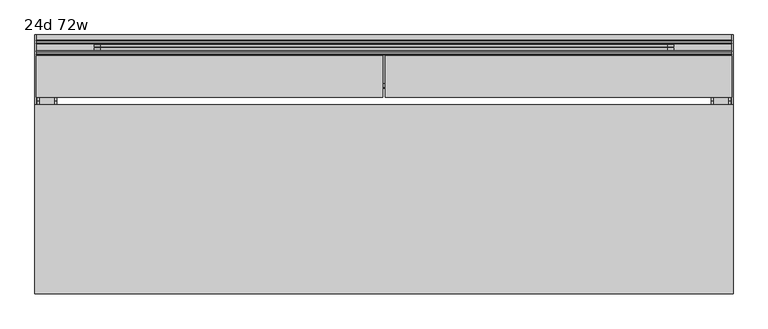
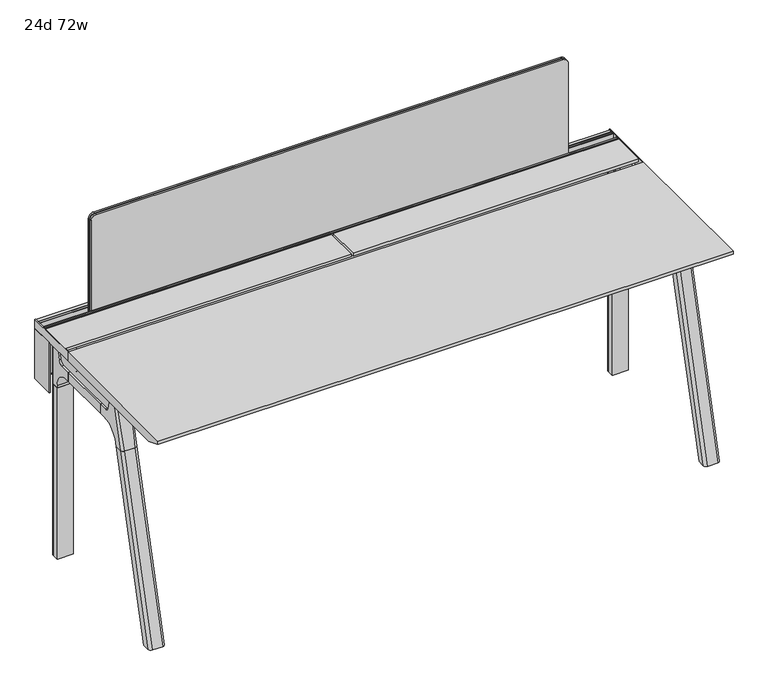
"""IFC4 building model written with IfcOpenShell, lengths in millimetres: furniture geometry, 24d 72w."""

from ifc_helpers import new_model, si_unit, point, frame, frame_2d, origin, place, context, project, spatial, polyline, circle_curve, ellipse_curve, trimmed, segment, composite_curve, outline, extrude, source, transform, mapped, element, save
from ifc_brep_helpers import plane_surface, cylinder_surface, revolved_surface, advanced_brep


def furniture_24d_72w_ee4560a4(model_context):
    return source(origin(), model_context, "Body", "SolidModel", [
        extrude(outline(composite_curve([segment(polyline([(-171.6458172, 542.478661), (-293.447806, 542.478661)]), True, "CONTINUOUS"), segment(trimmed(circle_curve(frame_2d((-293.447806, 555.972411)), 13.49375), [point((-293.447806, 542.478661))], [point((-306.941556, 555.972411))], False, "CARTESIAN"), True, "CONTINUOUS"), segment(polyline([(-306.941556, 555.972411), (-306.941556, 579.126206), (-306.147806, 579.126206), (-306.147806, 555.972411)]), True, "CONTINUOUS"), segment(trimmed(circle_curve(frame_2d((-293.447806, 555.972411)), 12.7), [point((-306.147806, 555.972411))], [point((-293.447806, 543.272411))], True, "CARTESIAN"), True, "CONTINUOUS"), segment(polyline([(-293.447806, 543.272411), (-171.6458172, 543.272411), (-171.6458172, 542.478661)]), True, "CONTINUOUS")], self_intersect=False)), frame((-542.925, 0.0, 0.0), z_axis=(1.0, 0.0, 0.0), x_axis=(0.0, 1.0, 0.0)), (0.0, 0.0, 1.0), 1517.65),
        extrude(outline(polyline([(-167.2415802, 542.478661), (-171.6458172, 542.478661), (-171.6458172, 543.272411), (-168.0353302, 543.272411), (-168.0353302, 738.7080593), (-179.9097266, 738.7080593), (-179.9097266, 729.9768093), (-180.7034766, 729.9768093), (-180.7034766, 739.5018093), (-167.2415802, 739.5018093), (-167.2415802, 542.478661)])), frame((-695.325, 0.0, 0.0), z_axis=(1.0, 0.0, 0.0), x_axis=(0.0, 1.0, 0.0)), (0.0, 0.0, 1.0), 1822.45),
        extrude(outline(composite_curve([segment(polyline([(1054.89375, 955.675), (1054.89375, -523.875)]), True, "CONTINUOUS"), segment(trimmed(circle_curve(frame_2d((1039.01875, -523.875)), 15.875), [point((1054.89375, -523.875))], [point((1039.01875, -539.75))], False, "CARTESIAN"), True, "CONTINUOUS"), segment(polyline([(1039.01875, -539.75), (720.725, -539.75), (720.725, 971.55), (1039.01875, 971.55)]), True, "CONTINUOUS"), segment(trimmed(circle_curve(frame_2d((1039.01875, 955.675)), 15.875), [point((1039.01875, 971.55))], [point((1054.89375, 955.675))], False, "CARTESIAN"), True, "CONTINUOUS")], self_intersect=False)), frame((0.0, -201.3409766, 0.0), z_axis=(0.0, 1.0, 0.0), x_axis=(0.0, 0.0, 1.0)), (0.0, 0.0, 1.0), 3.175),
        extrude(outline(composite_curve([segment(polyline([(1058.06875, 958.85), (1058.06875, -527.05)]), True, "CONTINUOUS"), segment(trimmed(circle_curve(frame_2d((1042.19375, -527.05)), 15.875), [point((1058.06875, -527.05))], [point((1042.19375, -542.925))], False, "CARTESIAN"), True, "CONTINUOUS"), segment(polyline([(1042.19375, -542.925), (717.55, -542.925), (717.55, 974.725), (1042.19375, 974.725)]), True, "CONTINUOUS"), segment(trimmed(circle_curve(frame_2d((1042.19375, 958.85)), 15.875), [point((1042.19375, 974.725))], [point((1058.06875, 958.85))], False, "CARTESIAN"), True, "CONTINUOUS")], self_intersect=False)), frame((0.0, -198.1659766, 0.0), z_axis=(0.0, 1.0, 0.0), x_axis=(0.0, 0.0, 1.0)), (0.0, 0.0, 1.0), 5.55625),
        extrude(outline(composite_curve([segment(polyline([(1058.06875, 958.85), (1058.06875, -527.05)]), True, "CONTINUOUS"), segment(trimmed(circle_curve(frame_2d((1042.19375, -527.05)), 15.875), [point((1058.06875, -527.05))], [point((1042.19375, -542.925))], False, "CARTESIAN"), True, "CONTINUOUS"), segment(polyline([(1042.19375, -542.925), (717.55, -542.925), (717.55, 974.725), (1042.19375, 974.725)]), True, "CONTINUOUS"), segment(trimmed(circle_curve(frame_2d((1042.19375, 958.85)), 15.875), [point((1042.19375, 974.725))], [point((1058.06875, 958.85))], False, "CARTESIAN"), True, "CONTINUOUS")], self_intersect=False)), frame((0.0, -206.8972266, 0.0), z_axis=(0.0, 1.0, 0.0), x_axis=(0.0, 0.0, 1.0)), (0.0, 0.0, 1.0), 5.55625),
        extrude(outline(polyline([(-218.8034766, 715.9625), (-218.8034766, 741.3625), (-217.2159766, 741.3625), (-217.2159766, 720.725), (-210.8659766, 720.725), (-210.8659766, 741.3625), (-209.2784766, 741.3625), (-209.2784766, 717.55), (-190.2284766, 717.55), (-190.2284766, 741.3625), (-188.6409766, 741.3625), (-188.6409766, 720.725), (-182.2909766, 720.725), (-182.2909766, 741.3625), (-180.7034766, 741.3625), (-180.7034766, 715.9625), (-218.8034766, 715.9625)])), frame((-695.325, 0.0, 0.0), z_axis=(1.0, 0.0, 0.0), x_axis=(0.0, 1.0, 0.0)), (0.0, 0.0, 1.0), 1822.45),
        extrude(outline(composite_curve([segment(polyline([(-280.7159766, 711.2), (-289.7740774, 677.3947076)]), True, "CONTINUOUS"), segment(trimmed(circle_curve(frame_2d((-305.1081499, 681.5034599)), 15.875), [point((-289.7740774, 677.3947076))], [point((-305.1081499, 665.6284599))], False, "CARTESIAN"), True, "CONTINUOUS"), segment(polyline([(-305.1081499, 665.6284599), (-550.8050533, 665.6284599)]), True, "CONTINUOUS"), segment(trimmed(circle_curve(frame_2d((-550.8050533, 681.5034599)), 15.875), [point((-550.8050533, 665.6284599))], [point((-566.1391258, 677.3947076))], False, "CARTESIAN"), True, "CONTINUOUS"), segment(polyline([(-566.1391258, 677.3947076), (-575.1972266, 711.2), (-280.7159766, 711.2)]), True, "CONTINUOUS")], self_intersect=False)), frame((1079.5, 0.0, 0.0), z_axis=(1.0, 0.0, 0.0), x_axis=(0.0, 1.0, 0.0)), (0.0, 0.0, 1.0), 38.1),
        extrude(outline(polyline([(1123.95, -341.0409766), (1123.95, -514.8722266), (1073.15, -514.8722266), (1073.15, -341.0409766), (1123.95, -341.0409766)])), frame((0.0, 0.0, 635.6476591), z_axis=(0.0, 0.0, 1.0), x_axis=(1.0, 0.0, 0.0)), (0.0, 0.0, 1.0), 29.9808008),
        extrude(outline(composite_curve([segment(polyline([(-280.7159766, 711.2), (-289.7740774, 677.3947076)]), True, "CONTINUOUS"), segment(trimmed(circle_curve(frame_2d((-305.1081499, 681.5034599)), 15.875), [point((-289.7740774, 677.3947076))], [point((-305.1081499, 665.6284599))], False, "CARTESIAN"), True, "CONTINUOUS"), segment(polyline([(-305.1081499, 665.6284599), (-550.8050533, 665.6284599)]), True, "CONTINUOUS"), segment(trimmed(circle_curve(frame_2d((-550.8050533, 681.5034599)), 15.875), [point((-550.8050533, 665.6284599))], [point((-566.1391258, 677.3947076))], False, "CARTESIAN"), True, "CONTINUOUS"), segment(polyline([(-566.1391258, 677.3947076), (-575.1972266, 711.2), (-280.7159766, 711.2)]), True, "CONTINUOUS")], self_intersect=False)), frame((-685.8, 0.0, 0.0), z_axis=(1.0, 0.0, 0.0), x_axis=(0.0, 1.0, 0.0)), (0.0, 0.0, 1.0), 38.1),
        extrude(outline(polyline([(-641.35, -341.0409766), (-641.35, -514.8722266), (-692.15, -514.8722266), (-692.15, -341.0409766), (-641.35, -341.0409766)])), frame((0.0, 0.0, 635.6476591), z_axis=(0.0, 0.0, 1.0), x_axis=(1.0, 0.0, 0.0)), (0.0, 0.0, 1.0), 29.9808008),
        advanced_brep(
        [(1123.95, -280.6696478, 711.2), (1123.95, -289.7277486, 677.3947076), (1123.95, -305.0618211, 665.6284599), (1123.95, -341.0409766, 665.6284599), (1123.95, -341.0409766, 635.6476591), (1123.95, -329.9284766, 635.6476591), (1123.95, -279.1284766, 584.8476591), (1123.95, -279.1284766, 576.659375), (1123.95, -256.9034766, 576.659375), (1123.95, -256.9034766, 711.2), (1073.15, -279.1284766, 576.659375), (1073.15, -279.1284766, 584.8476591), (1073.15, -329.9284766, 635.6476591), (1073.15, -341.0409766, 635.6476591), (1073.15, -341.0409766, 665.6284599), (1073.15, -305.0618211, 665.6284599), (1073.15, -289.7277486, 677.3947076), (1073.15, -280.6696478, 711.2), (1073.15, -256.9034766, 711.2), (1073.15, -256.9034766, 576.659375), (1114.425, -247.3784766, 711.2), (1082.675, -247.3784766, 711.2), (1082.675, -247.3784766, 576.659375), (1114.425, -247.3784766, 576.659375)],
        [
            (0, 1),
            (1, 2, circle_curve(frame((1123.95, -305.0618211, 681.5034599), z_axis=(-1.0, 0.0, 0.0), x_axis=(0.0, 1.0, 0.0)), 15.875)),
            (2, 3),
            (3, 4),
            (4, 5),
            (5, 6, circle_curve(frame((1123.95, -329.9284766, 584.8476591), z_axis=(-1.0, 0.0, 0.0), x_axis=(0.0, 1.0, 0.0)), 50.8)),
            (6, 7),
            (7, 8),
            (8, 9),
            (9, 0),
            (10, 11),
            (11, 12, circle_curve(frame((1073.15, -329.9284766, 584.8476591), z_axis=(1.0, 0.0, 0.0), x_axis=(0.0, 1.0, 0.0)), 50.8)),
            (12, 13),
            (13, 14),
            (14, 15),
            (15, 16, circle_curve(frame((1073.15, -305.0618211, 681.5034599), z_axis=(1.0, 0.0, 0.0), x_axis=(0.0, 1.0, 0.0)), 15.875)),
            (16, 17),
            (17, 18),
            (18, 19),
            (19, 10),
            (17, 0),
            (9, 20, circle_curve(frame((1114.425, -256.9034766, 711.2), z_axis=(0.0, 0.0, 1.0), x_axis=(-1.0, 0.0, 0.0)), 9.525)),
            (20, 21),
            (21, 18, circle_curve(frame((1082.675, -256.9034766, 711.2), z_axis=(0.0, 0.0, 1.0), x_axis=(-1.0, 0.0, 0.0)), 9.525)),
            (16, 1),
            (15, 2),
            (14, 3),
            (13, 4),
            (12, 5),
            (7, 10),
            (19, 22, circle_curve(frame((1082.675, -256.9034766, 576.659375), z_axis=(0.0, 0.0, -1.0), x_axis=(-1.0, 0.0, 0.0)), 9.525)),
            (22, 23),
            (23, 8, circle_curve(frame((1114.425, -256.9034766, 576.659375), z_axis=(0.0, 0.0, -1.0), x_axis=(-1.0, 0.0, 0.0)), 9.525)),
            (11, 6),
            (23, 20),
            (21, 22),
        ],
        [
            plane_surface(frame((1123.95, -240.451947, 711.2), z_axis=(1.0, 0.0, 0.0), x_axis=(0.0, -1.0, 0.0))),
            plane_surface(frame((1073.15, -240.451947, 711.2), z_axis=(-1.0, 0.0, 0.0), x_axis=(0.0, 1.0, 0.0))),
            plane_surface(frame((1123.95, -240.451947, 711.2), z_axis=(0.0, 0.0, 1.0), x_axis=(-1.0, 0.0, 0.0))),
            plane_surface(frame((1123.95, -280.6696478, 711.2), z_axis=(0.0, -0.9659258262890683, 0.2588190451025207), x_axis=(-1.0, 0.0, 0.0))),
            revolved_surface(polyline([(1073.15, -289.1868211, 681.5034599), (1123.95, -289.1868211, 681.5034599)]), (1073.15, -305.0618211, 681.5034599), (-1.0, 0.0, 0.0)),
            plane_surface(frame((1123.95, -305.0618211, 665.6284599), z_axis=(0.0, 0.0, 1.0), x_axis=(-1.0, 0.0, 0.0))),
            plane_surface(frame((1123.95, -341.0409766, 665.6284599), z_axis=(0.0, -1.0, 0.0), x_axis=(-1.0, 0.0, 0.0))),
            plane_surface(frame((1123.95, -341.0409766, 635.6476591), z_axis=(0.0, 0.0, -1.0), x_axis=(-1.0, 0.0, 0.0))),
            plane_surface(frame((1123.95, -279.1284766, 576.659375), z_axis=(0.0, 0.0, -1.0), x_axis=(-1.0, 0.0, 0.0))),
            revolved_surface(polyline([(1073.15, -279.1284766, 584.8476591), (1123.95, -279.1284766, 584.8476591)]), (1073.15, -329.9284766, 584.8476591), (-1.0, 0.0, 0.0)),
            plane_surface(frame((1123.95, -279.1284766, 584.8476591), z_axis=(0.0, -1.0, 0.0), x_axis=(-1.0, 0.0, 0.0))),
            cylinder_surface(frame((1114.425, -256.9034766, 524.9807374), z_axis=(0.0, 0.0, -1.0), x_axis=(-1.0, 0.0, 0.0)), 9.525),
            cylinder_surface(frame((1082.675, -256.9034766, 524.9807374), z_axis=(0.0, 0.0, -1.0), x_axis=(-1.0, 0.0, 0.0)), 9.525),
            plane_surface(frame((1082.675, -247.3784766, 711.2), z_axis=(0.0, 1.0, 0.0), x_axis=(0.0, 0.0, -1.0))),
        ],
        [
            (0, [[1, 2, 3, 4, 5, 6, 7, 8, 9, 10]]),
            (1, [[11, 12, 13, 14, 15, 16, 17, 18, 19, 20]]),
            (2, [[21, -10, 22, 23, 24, -18]]),
            (3, [[-1, -21, -17, 25]]),
            (4, [[-2, -25, -16, 26]]),
            (5, [[-3, -26, -15, 27]]),
            (6, [[-4, -27, -14, 28]]),
            (7, [[-5, -28, -13, 29]]),
            (8, [[30, -20, 31, 32, 33, -8]]),
            (9, [[-6, -29, -12, 34]]),
            (10, [[-7, -34, -11, -30]]),
            (11, [[35, -22, -9, -33]]),
            (12, [[36, -31, -19, -24]]),
            (13, [[-35, -32, -36, -23]]),
        ],
    ),
        advanced_brep(
        [(1073.15, -279.1284766, 576.659375), (1123.95, -279.1284766, 576.659375), (1123.95, -256.9034766, 576.659375), (1114.425, -247.3784766, 576.659375), (1082.675, -247.3784766, 576.659375), (1073.15, -256.9034766, 576.659375), (1073.15, -279.1284766, 0.0), (1073.15, -256.9034766, 0.0), (1082.675, -247.3784766, 0.0), (1114.425, -247.3784766, 0.0), (1123.95, -256.9034766, 0.0), (1123.95, -279.1284766, 0.0), (1123.95, -256.9034766, 524.9807374), (1114.425, -247.3784766, 524.9807374), (1082.675, -247.3784766, 524.9807374), (1073.15, -256.9034766, 524.9807374)],
        [
            (0, 1),
            (1, 2),
            (2, 3, circle_curve(frame((1114.425, -256.9034766, 576.659375), z_axis=(0.0, 0.0, 1.0), x_axis=(-1.0, 0.0, 0.0)), 9.525)),
            (3, 4),
            (4, 5, circle_curve(frame((1082.675, -256.9034766, 576.659375), z_axis=(0.0, 0.0, 1.0), x_axis=(-1.0, 0.0, 0.0)), 9.525)),
            (5, 0),
            (6, 7),
            (7, 8, circle_curve(frame((1082.675, -256.9034766, 0.0), z_axis=(0.0, 0.0, -1.0), x_axis=(-1.0, 0.0, 0.0)), 9.525)),
            (8, 9),
            (9, 10, circle_curve(frame((1114.425, -256.9034766, 0.0), z_axis=(0.0, 0.0, -1.0), x_axis=(-1.0, 0.0, 0.0)), 9.525)),
            (10, 11),
            (11, 6),
            (0, 6),
            (11, 1),
            (10, 12),
            (12, 2),
            (9, 13),
            (13, 3),
            (8, 14),
            (14, 4),
            (7, 15),
            (15, 5),
        ],
        [
            plane_surface(frame((1131.1462903, -279.1284766, 576.659375), z_axis=(0.0, 0.0, 1.0), x_axis=(1.0, 0.0, 0.0))),
            plane_surface(frame((1131.1462903, -279.1284766, 0.0), z_axis=(0.0, 0.0, -1.0), x_axis=(-1.0, 0.0, 0.0))),
            plane_surface(frame((1073.15, -279.1284766, 576.659375), z_axis=(0.0, -1.0, 0.0), x_axis=(0.0, 0.0, -1.0))),
            plane_surface(frame((1123.95, -279.1284766, 576.659375), z_axis=(1.0, 0.0, 0.0), x_axis=(0.0, 0.0, -1.0))),
            cylinder_surface(frame((1114.425, -256.9034766, 0.0), z_axis=(0.0, 0.0, 1.0), x_axis=(-1.0, 0.0, 0.0)), 9.525),
            plane_surface(frame((1114.425, -247.3784766, 576.659375), z_axis=(0.0, 1.0, 0.0), x_axis=(0.0, 0.0, -1.0))),
            cylinder_surface(frame((1082.675, -256.9034766, 0.0), z_axis=(0.0, 0.0, 1.0), x_axis=(-1.0, 0.0, 0.0)), 9.525),
            plane_surface(frame((1073.15, -256.9034766, 576.659375), z_axis=(-1.0, 0.0, 0.0), x_axis=(0.0, 0.0, -1.0))),
        ],
        [
            (0, [[1, 2, 3, 4, 5, 6]]),
            (1, [[7, 8, 9, 10, 11, 12]]),
            (2, [[-1, 13, -12, 14]]),
            (3, [[-2, -14, -11, 15, 16]]),
            (4, [[-3, -16, -15, -10, 17, 18]]),
            (5, [[-4, -18, -17, -9, 19, 20]]),
            (6, [[-5, -20, -19, -8, 21, 22]]),
            (7, [[-6, -22, -21, -7, -13]]),
        ],
    ),
        advanced_brep(
        [(-641.35, -280.6696478, 711.2), (-641.35, -289.7277486, 677.3947076), (-641.35, -305.0618211, 665.6284599), (-641.35, -341.0409766, 665.6284599), (-641.35, -341.0409766, 635.6476591), (-641.35, -329.9284766, 635.6476591), (-641.35, -279.1284766, 584.8476591), (-641.35, -279.1284766, 576.659375), (-641.35, -256.9034766, 576.659375), (-641.35, -256.9034766, 711.2), (-692.15, -279.1284766, 576.659375), (-692.15, -279.1284766, 584.8476591), (-692.15, -329.9284766, 635.6476591), (-692.15, -341.0409766, 635.6476591), (-692.15, -341.0409766, 665.6284599), (-692.15, -305.0618211, 665.6284599), (-692.15, -289.7277486, 677.3947076), (-692.15, -280.6696478, 711.2), (-692.15, -256.9034766, 711.2), (-692.15, -256.9034766, 576.659375), (-650.875, -247.3784766, 711.2), (-682.625, -247.3784766, 711.2), (-682.625, -247.3784766, 576.659375), (-650.875, -247.3784766, 576.659375)],
        [
            (0, 1),
            (1, 2, circle_curve(frame((-641.35, -305.0618211, 681.5034599), z_axis=(-1.0, 0.0, 0.0), x_axis=(0.0, 1.0, 0.0)), 15.875)),
            (2, 3),
            (3, 4),
            (4, 5),
            (5, 6, circle_curve(frame((-641.35, -329.9284766, 584.8476591), z_axis=(-1.0, 0.0, 0.0), x_axis=(0.0, 1.0, 0.0)), 50.8)),
            (6, 7),
            (7, 8),
            (8, 9),
            (9, 0),
            (10, 11),
            (11, 12, circle_curve(frame((-692.15, -329.9284766, 584.8476591), z_axis=(1.0, 0.0, 0.0), x_axis=(0.0, 1.0, 0.0)), 50.8)),
            (12, 13),
            (13, 14),
            (14, 15),
            (15, 16, circle_curve(frame((-692.15, -305.0618211, 681.5034599), z_axis=(1.0, 0.0, 0.0), x_axis=(0.0, 1.0, 0.0)), 15.875)),
            (16, 17),
            (17, 18),
            (18, 19),
            (19, 10),
            (17, 0),
            (9, 20, circle_curve(frame((-650.875, -256.9034766, 711.2), z_axis=(0.0, 0.0, 1.0), x_axis=(-1.0, 0.0, 0.0)), 9.525)),
            (20, 21),
            (21, 18, circle_curve(frame((-682.625, -256.9034766, 711.2), z_axis=(0.0, 0.0, 1.0), x_axis=(-1.0, 0.0, 0.0)), 9.525)),
            (16, 1),
            (15, 2),
            (14, 3),
            (13, 4),
            (12, 5),
            (7, 10),
            (19, 22, circle_curve(frame((-682.625, -256.9034766, 576.659375), z_axis=(0.0, 0.0, -1.0), x_axis=(-1.0, 0.0, 0.0)), 9.525)),
            (22, 23),
            (23, 8, circle_curve(frame((-650.875, -256.9034766, 576.659375), z_axis=(0.0, 0.0, -1.0), x_axis=(-1.0, 0.0, 0.0)), 9.525)),
            (11, 6),
            (23, 20),
            (21, 22),
        ],
        [
            plane_surface(frame((-641.35, -240.451947, 711.2), z_axis=(1.0, 0.0, 0.0), x_axis=(0.0, -1.0, 0.0))),
            plane_surface(frame((-692.15, -240.451947, 711.2), z_axis=(-1.0, 0.0, 0.0), x_axis=(0.0, 1.0, 0.0))),
            plane_surface(frame((-641.35, -240.451947, 711.2), z_axis=(0.0, 0.0, 1.0), x_axis=(-1.0, 0.0, 0.0))),
            plane_surface(frame((-641.35, -280.6696478, 711.2), z_axis=(0.0, -0.9659258262890683, 0.2588190451025207), x_axis=(-1.0, 0.0, 0.0))),
            revolved_surface(polyline([(-692.15, -289.1868211, 681.5034599), (-641.35, -289.1868211, 681.5034599)]), (-692.15, -305.0618211, 681.5034599), (-1.0, 0.0, 0.0)),
            plane_surface(frame((-641.35, -305.0618211, 665.6284599), z_axis=(0.0, 0.0, 1.0), x_axis=(-1.0, 0.0, 0.0))),
            plane_surface(frame((-641.35, -341.0409766, 665.6284599), z_axis=(0.0, -1.0, 0.0), x_axis=(-1.0, 0.0, 0.0))),
            plane_surface(frame((-641.35, -341.0409766, 635.6476591), z_axis=(0.0, 0.0, -1.0), x_axis=(-1.0, 0.0, 0.0))),
            plane_surface(frame((-641.35, -279.1284766, 576.659375), z_axis=(0.0, 0.0, -1.0), x_axis=(-1.0, 0.0, 0.0))),
            revolved_surface(polyline([(-692.15, -279.1284766, 584.8476591), (-641.35, -279.1284766, 584.8476591)]), (-692.15, -329.9284766, 584.8476591), (-1.0, 0.0, 0.0)),
            plane_surface(frame((-641.35, -279.1284766, 584.8476591), z_axis=(0.0, -1.0, 0.0), x_axis=(-1.0, 0.0, 0.0))),
            cylinder_surface(frame((-650.875, -256.9034766, 524.9807374), z_axis=(0.0, 0.0, -1.0), x_axis=(-1.0, 0.0, 0.0)), 9.525),
            cylinder_surface(frame((-682.625, -256.9034766, 524.9807374), z_axis=(0.0, 0.0, -1.0), x_axis=(-1.0, 0.0, 0.0)), 9.525),
            plane_surface(frame((-682.625, -247.3784766, 711.2), z_axis=(0.0, 1.0, 0.0), x_axis=(0.0, 0.0, -1.0))),
        ],
        [
            (0, [[1, 2, 3, 4, 5, 6, 7, 8, 9, 10]]),
            (1, [[11, 12, 13, 14, 15, 16, 17, 18, 19, 20]]),
            (2, [[21, -10, 22, 23, 24, -18]]),
            (3, [[-1, -21, -17, 25]]),
            (4, [[-2, -25, -16, 26]]),
            (5, [[-3, -26, -15, 27]]),
            (6, [[-4, -27, -14, 28]]),
            (7, [[-5, -28, -13, 29]]),
            (8, [[30, -20, 31, 32, 33, -8]]),
            (9, [[-6, -29, -12, 34]]),
            (10, [[-7, -34, -11, -30]]),
            (11, [[35, -22, -9, -33]]),
            (12, [[36, -31, -19, -24]]),
            (13, [[-35, -32, -36, -23]]),
        ],
    ),
        advanced_brep(
        [(-692.15, -279.1284766, 576.659375), (-641.35, -279.1284766, 576.659375), (-641.35, -256.9034766, 576.659375), (-650.875, -247.3784766, 576.659375), (-682.625, -247.3784766, 576.659375), (-692.15, -256.9034766, 576.659375), (-692.15, -279.1284766, 0.0), (-692.15, -256.9034766, 0.0), (-682.625, -247.3784766, 0.0), (-650.875, -247.3784766, 0.0), (-641.35, -256.9034766, 0.0), (-641.35, -279.1284766, 0.0), (-641.35, -256.9034766, 524.9807374), (-650.875, -247.3784766, 524.9807374), (-682.625, -247.3784766, 524.9807374), (-692.15, -256.9034766, 524.9807374)],
        [
            (0, 1),
            (1, 2),
            (2, 3, circle_curve(frame((-650.875, -256.9034766, 576.659375), z_axis=(0.0, 0.0, 1.0), x_axis=(-1.0, 0.0, 0.0)), 9.525)),
            (3, 4),
            (4, 5, circle_curve(frame((-682.625, -256.9034766, 576.659375), z_axis=(0.0, 0.0, 1.0), x_axis=(-1.0, 0.0, 0.0)), 9.525)),
            (5, 0),
            (6, 7),
            (7, 8, circle_curve(frame((-682.625, -256.9034766, 0.0), z_axis=(0.0, 0.0, -1.0), x_axis=(-1.0, 0.0, 0.0)), 9.525)),
            (8, 9),
            (9, 10, circle_curve(frame((-650.875, -256.9034766, 0.0), z_axis=(0.0, 0.0, -1.0), x_axis=(-1.0, 0.0, 0.0)), 9.525)),
            (10, 11),
            (11, 6),
            (0, 6),
            (11, 1),
            (10, 12),
            (12, 2),
            (9, 13),
            (13, 3),
            (8, 14),
            (14, 4),
            (7, 15),
            (15, 5),
        ],
        [
            plane_surface(frame((-634.1537097, -279.1284766, 576.659375), z_axis=(0.0, 0.0, 1.0), x_axis=(1.0, 0.0, 0.0))),
            plane_surface(frame((-634.1537097, -279.1284766, 0.0), z_axis=(0.0, 0.0, -1.0), x_axis=(-1.0, 0.0, 0.0))),
            plane_surface(frame((-692.15, -279.1284766, 576.659375), z_axis=(0.0, -1.0, 0.0), x_axis=(0.0, 0.0, -1.0))),
            plane_surface(frame((-641.35, -279.1284766, 576.659375), z_axis=(1.0, 0.0, 0.0), x_axis=(0.0, 0.0, -1.0))),
            cylinder_surface(frame((-650.875, -256.9034766, 0.0), z_axis=(0.0, 0.0, 1.0), x_axis=(-1.0, 0.0, 0.0)), 9.525),
            plane_surface(frame((-650.875, -247.3784766, 576.659375), z_axis=(0.0, 1.0, 0.0), x_axis=(0.0, 0.0, -1.0))),
            cylinder_surface(frame((-682.625, -256.9034766, 0.0), z_axis=(0.0, 0.0, 1.0), x_axis=(-1.0, 0.0, 0.0)), 9.525),
            plane_surface(frame((-692.15, -256.9034766, 576.659375), z_axis=(-1.0, 0.0, 0.0), x_axis=(0.0, 0.0, -1.0))),
        ],
        [
            (0, [[1, 2, 3, 4, 5, 6]]),
            (1, [[7, 8, 9, 10, 11, 12]]),
            (2, [[-1, 13, -12, 14]]),
            (3, [[-2, -14, -11, 15, 16]]),
            (4, [[-3, -16, -15, -10, 17, 18]]),
            (5, [[-4, -18, -17, -9, 19, 20]]),
            (6, [[-5, -20, -19, -8, 21, 22]]),
            (7, [[-6, -22, -21, -7, -13]]),
        ],
    ),
        advanced_brep(
        [(1073.15, -568.8935553, 711.2), (1073.15, -559.8354545, 677.3947076), (1073.15, -544.501382, 665.6284599), (1073.15, -514.8722266, 665.6284599), (1073.15, -514.8722266, 635.6476591), (1073.15, -537.7434588, 635.6476591), (1073.15, -602.1465633, 586.2294189), (1073.15, -604.7047754, 576.6820411), (1073.15, -625.8087453, 576.6820411), (1073.15, -590.3601017, 711.2), (1123.95, -604.7047754, 576.6820411), (1123.95, -602.1465633, 586.2294189), (1123.95, -537.7434588, 635.6476591), (1123.95, -514.8722266, 635.6476591), (1123.95, -514.8722266, 665.6284599), (1123.95, -544.501382, 665.6284599), (1123.95, -559.8354545, 677.3947076), (1123.95, -568.8935553, 711.2), (1123.95, -590.3601017, 711.2), (1123.95, -625.8087453, 576.6820411), (1079.4138162, -599.6149462, 711.2), (1117.6861838, -599.6149462, 711.2), (1114.425, -635.6589247, 576.6820411), (1082.675, -635.6589247, 576.6820411)],
        [
            (0, 1),
            (1, 2, circle_curve(frame((1073.15, -544.501382, 681.5034599), z_axis=(1.0, 0.0, 0.0), x_axis=(0.0, -1.0, 0.0)), 15.875)),
            (2, 3),
            (3, 4),
            (4, 5),
            (5, 6, circle_curve(frame((1073.15, -537.7434588, 568.9726591), z_axis=(1.0, 0.0, 0.0), x_axis=(0.0, -1.0, 0.0)), 66.675)),
            (6, 7),
            (7, 8),
            (8, 9),
            (9, 0),
            (10, 11),
            (11, 12, circle_curve(frame((1123.95, -537.7434588, 568.9726591), z_axis=(-1.0, 0.0, 0.0), x_axis=(0.0, -1.0, 0.0)), 66.675)),
            (12, 13),
            (13, 14),
            (14, 15),
            (15, 16, circle_curve(frame((1123.95, -544.501382, 681.5034599), z_axis=(-1.0, 0.0, 0.0), x_axis=(0.0, -1.0, 0.0)), 15.875)),
            (16, 17),
            (17, 18),
            (18, 19),
            (19, 10),
            (17, 0),
            (9, 20, ellipse_curve(frame((1082.675, -590.3601017, 711.2), z_axis=(0.0, 0.0, 1.0), x_axis=(0.0, -1.0, 0.0)), 9.8501793, 9.525)),
            (20, 21),
            (21, 18, ellipse_curve(frame((1114.425, -590.3601017, 711.2), z_axis=(0.0, 0.0, 1.0), x_axis=(0.0, -1.0, 0.0)), 9.8501793, 9.525)),
            (16, 1),
            (15, 2),
            (14, 3),
            (13, 4),
            (12, 5),
            (11, 6),
            (10, 7),
            (19, 22, ellipse_curve(frame((1114.425, -625.8087453, 576.6820411), z_axis=(0.0, 0.0, -1.0), x_axis=(0.0, -1.0, 0.0)), 9.8501793, 9.525)),
            (22, 23),
            (23, 8, ellipse_curve(frame((1082.675, -625.8087453, 576.6820411), z_axis=(0.0, 0.0, -1.0), x_axis=(0.0, -1.0, 0.0)), 9.8501793, 9.525)),
            (20, 23, ellipse_curve(frame((1082.675, -39.2892106, 2802.3641142), z_axis=(0.0, -0.9659258262890684, 0.2588190451025206), x_axis=(0.0, -0.2588190451025206, -0.9659258262890684)), 2304.1956354, 9.525)),
            (22, 21, ellipse_curve(frame((1114.425, -39.2892106, 2802.3641142), z_axis=(0.0, -0.9659258262890684, 0.2588190451025206), x_axis=(0.0, -0.2588190451025206, -0.9659258262890684)), 2304.1956354, 9.525)),
        ],
        [
            plane_surface(frame((1073.15, -599.6149462, 711.2), z_axis=(-1.0, 0.0, 0.0), x_axis=(0.0, 1.0, 0.0))),
            plane_surface(frame((1123.95, -599.6149462, 711.2), z_axis=(1.0, 0.0, 0.0), x_axis=(0.0, -1.0, 0.0))),
            plane_surface(frame((1073.15, -599.6149462, 711.2), z_axis=(0.0, 0.0, 1.0), x_axis=(1.0, 0.0, 0.0))),
            plane_surface(frame((1073.15, -568.8935553, 711.2), z_axis=(0.0, 0.9659258262890683, 0.2588190451025207), x_axis=(1.0, 0.0, 0.0))),
            revolved_surface(polyline([(1123.95, -560.376382, 681.5034599), (1073.15, -560.376382, 681.5034599)]), (1123.95, -544.501382, 681.5034599), (1.0, 0.0, 0.0)),
            plane_surface(frame((1073.15, -544.501382, 665.6284599), z_axis=(0.0, 0.0, 1.0), x_axis=(1.0, 0.0, 0.0))),
            plane_surface(frame((1073.15, -514.8722266, 665.6284599), z_axis=(0.0, 1.0, 0.0), x_axis=(1.0, 0.0, 0.0))),
            plane_surface(frame((1073.15, -514.8722266, 635.6476591), z_axis=(0.0, 0.0, -1.0), x_axis=(1.0, 0.0, 0.0))),
            revolved_surface(polyline([(1123.95, -604.4184587999999, 568.9726591), (1073.15, -604.4184587999999, 568.9726591)]), (1123.95, -537.7434588, 568.9726591), (1.0, 0.0, 0.0)),
            plane_surface(frame((1073.15, -602.1465633, 586.2294189), z_axis=(0.0, 0.9659258262890693, -0.25881904510251696), x_axis=(1.0, 0.0, 0.0))),
            plane_surface(frame((1073.15, -604.7047754, 576.6820411), z_axis=(0.0, 0.0, -1.0), x_axis=(1.0, 0.0, 0.0))),
            plane_surface(frame((1073.15, -635.6589247, 576.6820411), z_axis=(0.0, -0.9659258262890684, 0.2588190451025206), x_axis=(1.0, 0.0, 0.0))),
            cylinder_surface(frame((1082.675, -778.4176402, -2.4271979), z_axis=(0.0, -0.25482392474081483, -0.966987470125486), x_axis=(1.0, 0.0, 0.0)), 9.525),
            cylinder_surface(frame((1114.425, -778.4176402, -2.4271979), z_axis=(0.0, -0.25482392474081483, -0.966987470125486), x_axis=(1.0, 0.0, 0.0)), 9.525),
        ],
        [
            (0, [[1, 2, 3, 4, 5, 6, 7, 8, 9, 10]]),
            (1, [[11, 12, 13, 14, 15, 16, 17, 18, 19, 20]]),
            (2, [[21, -10, 22, 23, 24, -18]]),
            (3, [[-1, -21, -17, 25]]),
            (4, [[-2, -25, -16, 26]]),
            (5, [[-3, -26, -15, 27]]),
            (6, [[-4, -27, -14, 28]]),
            (7, [[-5, -28, -13, 29]]),
            (8, [[-6, -29, -12, 30]]),
            (9, [[-7, -30, -11, 31]]),
            (10, [[-31, -20, 32, 33, 34, -8]]),
            (11, [[-23, 35, -33, 36]]),
            (12, [[-9, -34, -35, -22]]),
            (13, [[-19, -24, -36, -32]]),
        ],
    ),
        advanced_brep(
        [(1073.15, -604.7047754, 576.6820411), (1073.15, -756.6740466, 0.0), (1073.15, -777.7780165, 0.0), (1073.15, -625.8087453, 576.6820411), (1123.95, -756.6740466, 0.0), (1123.95, -604.7047754, 576.6820411), (1123.95, -625.8087453, 576.6820411), (1123.95, -777.7780165, 0.0), (1082.675, -635.6589247, 576.6820411), (1114.425, -635.6589247, 576.6820411), (1114.425, -787.6281958, 0.0), (1082.675, -787.6281958, 0.0)],
        [
            (0, 1),
            (1, 2),
            (2, 3),
            (3, 0),
            (4, 5),
            (5, 6),
            (6, 7),
            (7, 4),
            (5, 0),
            (3, 8, ellipse_curve(frame((1082.675, -625.8087453, 576.6820411), z_axis=(0.0, 0.0, 1.0), x_axis=(0.0, -1.0, 0.0)), 9.8501793, 9.525)),
            (8, 9),
            (9, 6, ellipse_curve(frame((1114.425, -625.8087453, 576.6820411), z_axis=(0.0, 0.0, 1.0), x_axis=(0.0, -1.0, 0.0)), 9.8501793, 9.525)),
            (4, 1),
            (7, 10, ellipse_curve(frame((1114.425, -777.7780165, 0.0), z_axis=(0.0, 0.0, -1.0), x_axis=(0.0, -1.0, 0.0)), 9.8501793, 9.525)),
            (10, 11),
            (11, 2, ellipse_curve(frame((1082.675, -777.7780165, 0.0), z_axis=(0.0, 0.0, -1.0), x_axis=(0.0, -1.0, 0.0)), 9.8501793, 9.525)),
            (8, 11),
            (10, 9),
        ],
        [
            plane_surface(frame((1073.15, -635.6589247, 576.6820411), z_axis=(-1.0, 0.0, 0.0), x_axis=(0.0, 1.0, 0.0))),
            plane_surface(frame((1123.95, -635.6589247, 576.6820411), z_axis=(1.0, 0.0, 0.0), x_axis=(0.0, -1.0, 0.0))),
            plane_surface(frame((1073.15, -635.6589247, 576.6820411), z_axis=(0.0, 0.0, 1.0), x_axis=(1.0, 0.0, 0.0))),
            plane_surface(frame((1073.15, -604.7047754, 576.6820411), z_axis=(0.0, 0.9669874701254844, -0.2548239247408208), x_axis=(1.0, 0.0, 0.0))),
            plane_surface(frame((1073.15, -756.6740466, 0.0), z_axis=(0.0, 0.0, -1.0), x_axis=(1.0, 0.0, 0.0))),
            plane_surface(frame((1073.15, -787.6281958, 0.0), z_axis=(0.0, -0.9669874701254855, 0.2548239247408166), x_axis=(1.0, 0.0, 0.0))),
            cylinder_surface(frame((1082.675, -778.4176402, -2.4271979), z_axis=(0.0, -0.25482392474081483, -0.966987470125486), x_axis=(1.0, 0.0, 0.0)), 9.525),
            cylinder_surface(frame((1114.425, -778.4176402, -2.4271979), z_axis=(0.0, -0.25482392474081483, -0.966987470125486), x_axis=(1.0, 0.0, 0.0)), 9.525),
        ],
        [
            (0, [[1, 2, 3, 4]]),
            (1, [[5, 6, 7, 8]]),
            (2, [[9, -4, 10, 11, 12, -6]]),
            (3, [[-1, -9, -5, 13]]),
            (4, [[-13, -8, 14, 15, 16, -2]]),
            (5, [[-11, 17, -15, 18]]),
            (6, [[-3, -16, -17, -10]]),
            (7, [[-7, -12, -18, -14]]),
        ],
    ),
        advanced_brep(
        [(-692.15, -568.8935553, 711.2), (-692.15, -559.8354545, 677.3947076), (-692.15, -544.501382, 665.6284599), (-692.15, -514.8722266, 665.6284599), (-692.15, -514.8722266, 635.6476591), (-692.15, -537.7434588, 635.6476591), (-692.15, -602.1465633, 586.2294189), (-692.15, -604.7047754, 576.6820411), (-692.15, -625.8087453, 576.6820411), (-692.15, -590.3601017, 711.2), (-641.35, -604.7047754, 576.6820411), (-641.35, -602.1465633, 586.2294189), (-641.35, -537.7434588, 635.6476591), (-641.35, -514.8722266, 635.6476591), (-641.35, -514.8722266, 665.6284599), (-641.35, -544.501382, 665.6284599), (-641.35, -559.8354545, 677.3947076), (-641.35, -568.8935553, 711.2), (-641.35, -590.3601017, 711.2), (-641.35, -625.8087453, 576.6820411), (-685.8861838, -599.6149462, 711.2), (-647.6138162, -599.6149462, 711.2), (-650.875, -635.6589247, 576.6820411), (-682.625, -635.6589247, 576.6820411)],
        [
            (0, 1),
            (1, 2, circle_curve(frame((-692.15, -544.501382, 681.5034599), z_axis=(1.0, 0.0, 0.0), x_axis=(0.0, -1.0, 0.0)), 15.875)),
            (2, 3),
            (3, 4),
            (4, 5),
            (5, 6, circle_curve(frame((-692.15, -537.7434588, 568.9726591), z_axis=(1.0, 0.0, 0.0), x_axis=(0.0, -1.0, 0.0)), 66.675)),
            (6, 7),
            (7, 8),
            (8, 9),
            (9, 0),
            (10, 11),
            (11, 12, circle_curve(frame((-641.35, -537.7434588, 568.9726591), z_axis=(-1.0, 0.0, 0.0), x_axis=(0.0, -1.0, 0.0)), 66.675)),
            (12, 13),
            (13, 14),
            (14, 15),
            (15, 16, circle_curve(frame((-641.35, -544.501382, 681.5034599), z_axis=(-1.0, 0.0, 0.0), x_axis=(0.0, -1.0, 0.0)), 15.875)),
            (16, 17),
            (17, 18),
            (18, 19),
            (19, 10),
            (17, 0),
            (9, 20, ellipse_curve(frame((-682.625, -590.3601017, 711.2), z_axis=(0.0, 0.0, 1.0), x_axis=(0.0, -1.0, 0.0)), 9.8501793, 9.525)),
            (20, 21),
            (21, 18, ellipse_curve(frame((-650.875, -590.3601017, 711.2), z_axis=(0.0, 0.0, 1.0), x_axis=(0.0, -1.0, 0.0)), 9.8501793, 9.525)),
            (16, 1),
            (15, 2),
            (14, 3),
            (13, 4),
            (12, 5),
            (11, 6),
            (10, 7),
            (19, 22, ellipse_curve(frame((-650.875, -625.8087453, 576.6820411), z_axis=(0.0, 0.0, -1.0), x_axis=(0.0, -1.0, 0.0)), 9.8501793, 9.525)),
            (22, 23),
            (23, 8, ellipse_curve(frame((-682.625, -625.8087453, 576.6820411), z_axis=(0.0, 0.0, -1.0), x_axis=(0.0, -1.0, 0.0)), 9.8501793, 9.525)),
            (20, 23, ellipse_curve(frame((-682.625, -39.2892106, 2802.3641142), z_axis=(0.0, -0.9659258262890684, 0.2588190451025206), x_axis=(0.0, -0.2588190451025206, -0.9659258262890684)), 2304.1956354, 9.525)),
            (22, 21, ellipse_curve(frame((-650.875, -39.2892106, 2802.3641142), z_axis=(0.0, -0.9659258262890684, 0.2588190451025206), x_axis=(0.0, -0.2588190451025206, -0.9659258262890684)), 2304.1956354, 9.525)),
        ],
        [
            plane_surface(frame((-692.15, -599.6149462, 711.2), z_axis=(-1.0, 0.0, 0.0), x_axis=(0.0, 1.0, 0.0))),
            plane_surface(frame((-641.35, -599.6149462, 711.2), z_axis=(1.0, 0.0, 0.0), x_axis=(0.0, -1.0, 0.0))),
            plane_surface(frame((-692.15, -599.6149462, 711.2), z_axis=(0.0, 0.0, 1.0), x_axis=(1.0, 0.0, 0.0))),
            plane_surface(frame((-692.15, -568.8935553, 711.2), z_axis=(0.0, 0.9659258262890683, 0.2588190451025207), x_axis=(1.0, 0.0, 0.0))),
            revolved_surface(polyline([(-641.35, -560.376382, 681.5034599), (-692.15, -560.376382, 681.5034599)]), (-641.35, -544.501382, 681.5034599), (1.0, 0.0, 0.0)),
            plane_surface(frame((-692.15, -544.501382, 665.6284599), z_axis=(0.0, 0.0, 1.0), x_axis=(1.0, 0.0, 0.0))),
            plane_surface(frame((-692.15, -514.8722266, 665.6284599), z_axis=(0.0, 1.0, 0.0), x_axis=(1.0, 0.0, 0.0))),
            plane_surface(frame((-692.15, -514.8722266, 635.6476591), z_axis=(0.0, 0.0, -1.0), x_axis=(1.0, 0.0, 0.0))),
            revolved_surface(polyline([(-641.35, -604.4184587999999, 568.9726591), (-692.15, -604.4184587999999, 568.9726591)]), (-641.35, -537.7434588, 568.9726591), (1.0, 0.0, 0.0)),
            plane_surface(frame((-692.15, -602.1465633, 586.2294189), z_axis=(0.0, 0.9659258262890693, -0.25881904510251696), x_axis=(1.0, 0.0, 0.0))),
            plane_surface(frame((-692.15, -604.7047754, 576.6820411), z_axis=(0.0, 0.0, -1.0), x_axis=(1.0, 0.0, 0.0))),
            plane_surface(frame((-692.15, -635.6589247, 576.6820411), z_axis=(0.0, -0.9659258262890684, 0.2588190451025206), x_axis=(1.0, 0.0, 0.0))),
            cylinder_surface(frame((-682.625, -778.4176402, -2.4271979), z_axis=(0.0, -0.25482392474081483, -0.966987470125486), x_axis=(1.0, 0.0, 0.0)), 9.525),
            cylinder_surface(frame((-650.875, -778.4176402, -2.4271979), z_axis=(0.0, -0.25482392474081483, -0.966987470125486), x_axis=(1.0, 0.0, 0.0)), 9.525),
        ],
        [
            (0, [[1, 2, 3, 4, 5, 6, 7, 8, 9, 10]]),
            (1, [[11, 12, 13, 14, 15, 16, 17, 18, 19, 20]]),
            (2, [[21, -10, 22, 23, 24, -18]]),
            (3, [[-1, -21, -17, 25]]),
            (4, [[-2, -25, -16, 26]]),
            (5, [[-3, -26, -15, 27]]),
            (6, [[-4, -27, -14, 28]]),
            (7, [[-5, -28, -13, 29]]),
            (8, [[-6, -29, -12, 30]]),
            (9, [[-7, -30, -11, 31]]),
            (10, [[-31, -20, 32, 33, 34, -8]]),
            (11, [[-23, 35, -33, 36]]),
            (12, [[-9, -34, -35, -22]]),
            (13, [[-19, -24, -36, -32]]),
        ],
    ),
        advanced_brep(
        [(-692.15, -604.7047754, 576.6820411), (-692.15, -756.6740466, 0.0), (-692.15, -777.7780165, 0.0), (-692.15, -625.8087453, 576.6820411), (-641.35, -756.6740466, 0.0), (-641.35, -604.7047754, 576.6820411), (-641.35, -625.8087453, 576.6820411), (-641.35, -777.7780165, 0.0), (-682.625, -635.6589247, 576.6820411), (-650.875, -635.6589247, 576.6820411), (-650.875, -787.6281958, 0.0), (-682.625, -787.6281958, 0.0)],
        [
            (0, 1),
            (1, 2),
            (2, 3),
            (3, 0),
            (4, 5),
            (5, 6),
            (6, 7),
            (7, 4),
            (5, 0),
            (3, 8, ellipse_curve(frame((-682.625, -625.8087453, 576.6820411), z_axis=(0.0, 0.0, 1.0), x_axis=(0.0, -1.0, 0.0)), 9.8501793, 9.525)),
            (8, 9),
            (9, 6, ellipse_curve(frame((-650.875, -625.8087453, 576.6820411), z_axis=(0.0, 0.0, 1.0), x_axis=(0.0, -1.0, 0.0)), 9.8501793, 9.525)),
            (4, 1),
            (7, 10, ellipse_curve(frame((-650.875, -777.7780165, 0.0), z_axis=(0.0, 0.0, -1.0), x_axis=(0.0, -1.0, 0.0)), 9.8501793, 9.525)),
            (10, 11),
            (11, 2, ellipse_curve(frame((-682.625, -777.7780165, 0.0), z_axis=(0.0, 0.0, -1.0), x_axis=(0.0, -1.0, 0.0)), 9.8501793, 9.525)),
            (8, 11),
            (10, 9),
        ],
        [
            plane_surface(frame((-692.15, -635.6589247, 576.6820411), z_axis=(-1.0, 0.0, 0.0), x_axis=(0.0, 1.0, 0.0))),
            plane_surface(frame((-641.35, -635.6589247, 576.6820411), z_axis=(1.0, 0.0, 0.0), x_axis=(0.0, -1.0, 0.0))),
            plane_surface(frame((-692.15, -635.6589247, 576.6820411), z_axis=(0.0, 0.0, 1.0), x_axis=(1.0, 0.0, 0.0))),
            plane_surface(frame((-692.15, -604.7047754, 576.6820411), z_axis=(0.0, 0.9669874701254844, -0.2548239247408208), x_axis=(1.0, 0.0, 0.0))),
            plane_surface(frame((-692.15, -756.6740466, 0.0), z_axis=(0.0, 0.0, -1.0), x_axis=(1.0, 0.0, 0.0))),
            plane_surface(frame((-692.15, -787.6281958, 0.0), z_axis=(0.0, -0.9669874701254855, 0.2548239247408166), x_axis=(1.0, 0.0, 0.0))),
            cylinder_surface(frame((-682.625, -778.4176402, -2.4271979), z_axis=(0.0, -0.25482392474081483, -0.966987470125486), x_axis=(1.0, 0.0, 0.0)), 9.525),
            cylinder_surface(frame((-650.875, -778.4176402, -2.4271979), z_axis=(0.0, -0.25482392474081483, -0.966987470125486), x_axis=(1.0, 0.0, 0.0)), 9.525),
        ],
        [
            (0, [[1, 2, 3, 4]]),
            (1, [[5, 6, 7, 8]]),
            (2, [[9, -4, 10, 11, 12, -6]]),
            (3, [[-1, -9, -5, 13]]),
            (4, [[-13, -8, 14, 15, 16, -2]]),
            (5, [[-11, 17, -15, 18]]),
            (6, [[-3, -16, -17, -10]]),
            (7, [[-7, -12, -18, -14]]),
        ],
    ),
        extrude(outline(polyline([(-845.0722266, 741.3625), (-349.7722266, 741.3625), (-349.7722266, 711.2), (-794.2722266, 711.2), (-845.0722266, 731.8375), (-845.0722266, 741.3625)])), frame((-698.5, 0.0, 0.0), z_axis=(1.0, 0.0, 0.0), x_axis=(0.0, 1.0, 0.0)), (0.0, 0.0, 1.0), 1828.8),
        extrude(outline(polyline([(1127.125, -247.3784766), (1127.125, -167.2097266), (1130.3, -167.2097266), (1130.3, -247.3784766), (1127.125, -247.3784766)])), frame((0.0, 0.0, 542.528125), z_axis=(0.0, 0.0, 1.0), x_axis=(1.0, 0.0, 0.0)), (0.0, 0.0, 1.0), 168.671875),
        extrude(outline(polyline([(-698.5, -247.3784766), (-698.5, -167.2097266), (-695.325, -167.2097266), (-695.325, -247.3784766), (-698.5, -247.3784766)])), frame((0.0, 0.0, 542.528125), z_axis=(0.0, 0.0, 1.0), x_axis=(1.0, 0.0, 0.0)), (0.0, 0.0, 1.0), 168.671875),
        extrude(outline(polyline([(212.725, -221.9784766), (212.725, -329.9284766), (-695.325, -329.9284766), (-695.325, -221.9784766), (212.725, -221.9784766)])), frame((0.0, 0.0, 731.8375), z_axis=(0.0, 0.0, 1.0), x_axis=(1.0, 0.0, 0.0)), (0.0, 0.0, 1.0), 9.525),
        extrude(outline(polyline([(1127.125, -221.9784766), (1127.125, -329.9284766), (219.075, -329.9284766), (219.075, -221.9784766), (1127.125, -221.9784766)])), frame((0.0, 0.0, 731.8375), z_axis=(0.0, 0.0, 1.0), x_axis=(1.0, 0.0, 0.0)), (0.0, 0.0, 1.0), 9.525),
        extrude(outline(polyline([(1073.15, -377.5534766), (1073.15, -409.3034766), (-641.35, -409.3034766), (-641.35, -377.5534766), (1073.15, -377.5534766)])), frame((0.0, 0.0, 646.1125), z_axis=(0.0, 0.0, 1.0), x_axis=(1.0, 0.0, 0.0)), (0.0, 0.0, 1.0), 50.8),
        extrude(outline(polyline([(1130.3, -167.2097266), (1130.3, -349.7722266), (1127.125, -349.7722266), (1127.125, -167.2097266), (1130.3, -167.2097266)])), frame((0.0, 0.0, 711.2), z_axis=(0.0, 0.0, 1.0), x_axis=(1.0, 0.0, 0.0)), (0.0, 0.0, 1.0), 30.1625),
        extrude(outline(polyline([(-695.325, -167.2097266), (-695.325, -349.7722266), (-698.5, -349.7722266), (-698.5, -167.2097266), (-695.325, -167.2097266)])), frame((0.0, 0.0, 711.2), z_axis=(0.0, 0.0, 1.0), x_axis=(1.0, 0.0, 0.0)), (0.0, 0.0, 1.0), 30.1625),
    ])


if __name__ == "__main__":
    model = new_model("IFC4")
    model_context = context("Model", 3, world=origin())
    ifc_project = project(units=[si_unit("LENGTHUNIT", "METRE", prefix="MILLI")], contexts=[model_context])
    site = spatial("IfcSite", under=ifc_project)
    building = spatial("IfcBuilding", under=site)
    placement = place(None, origin())
    furniture_24d_72w_shape = furniture_24d_72w_ee4560a4(model_context)
    element("IfcFurniture", 1, ObjectType="24d 72w", at=placement, inside=building, context=model_context, shape_type="MappedRepresentation", body=[
        mapped(furniture_24d_72w_shape, transform((0.0, 0.0, 0.0), x_axis=(1.0, 0.0, 0.0), y_axis=(0.0, 1.0, 0.0), z_axis=(0.0, 0.0, 1.0))),
    ])
    save(model, "model.ifc")
